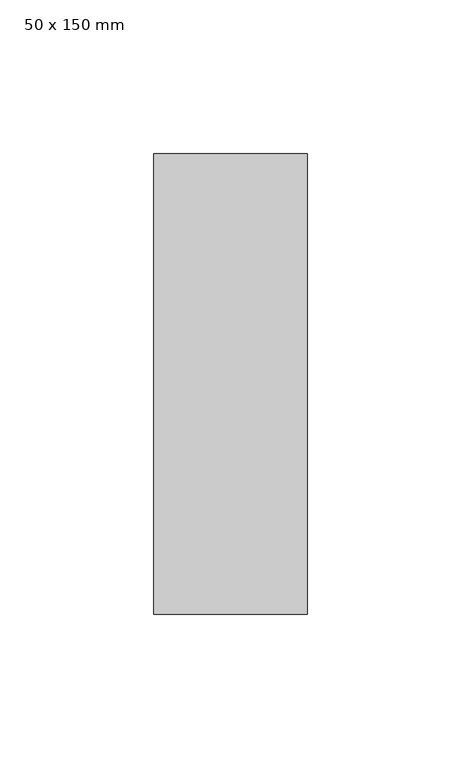
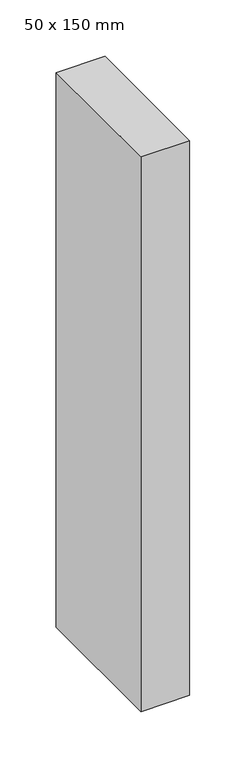
"""IFC4 building model written with IfcOpenShell, lengths in millimetres: member geometry, 50 x 150 mm."""

import ifcopenshell
import ifcopenshell.guid

model = None  # the IFC model being written
_history = None  # IfcOwnerHistory: only IFC2X3 demands one
_inside = {}  # id of a spatial element -> (the spatial element, [elements in it])
_under = {}  # id of a project, library or spatial element -> (it, [spatial elements below it])
_declared = {}  # id of a project -> (the project, [libraries it declares])
_typed = {}  # id of a type object -> (the type object, [elements of that type])
_made_of = {}  # id of a material, layer set ... -> (it, [elements and type objects made of it])


def new_model(schema):
    """Start an empty IFC model of exactly this schema.

    Asked for "IFC4X3", IfcOpenShell would pick the latest addendum, in which some entities
    have other attributes; the version numbers below select the first issue.
    IFC2X3 requires an IfcOwnerHistory on every rooted entity: one is made here for all.
    """
    global model, _history
    if schema == "IFC4X3":
        model = ifcopenshell.file(schema_version=(4, 3, 0, 0))
    else:
        model = ifcopenshell.file(schema=schema)
    _inside.clear()
    _under.clear()
    _declared.clear()
    _typed.clear()
    _made_of.clear()
    _history = None
    if model.schema == "IFC2X3":
        org = make("IfcOrganization", Name="unknown")
        user = make(
            "IfcPersonAndOrganization",
            ThePerson=make("IfcPerson", FamilyName="unknown"),
            TheOrganization=org,
        )
        app = make(
            "IfcApplication",
            ApplicationDeveloper=org,
            Version="unknown",
            ApplicationFullName="unknown",
            ApplicationIdentifier="unknown",
        )
        _history = make(
            "IfcOwnerHistory",
            OwningUser=user,
            OwningApplication=app,
            ChangeAction="ADDED",
            CreationDate=0,
        )
    return model


def make(cls, **values):
    """One entity of the class cls with the attributes given. An attribute that is None is left unset."""
    return model.create_entity(
        cls, **{name: value for name, value in values.items() if value is not None}
    )


def rooted(cls, **values):
    """An entity with a GlobalId (a new one), such as an element, a storey or a relation."""
    return make(cls, GlobalId=ifcopenshell.guid.new(), OwnerHistory=_history, **values)


def si_unit(unit_type, name, prefix=None):
    """IfcSIUnit, for example si_unit("LENGTHUNIT", "METRE", prefix="MILLI")."""
    return make("IfcSIUnit", UnitType=unit_type, Prefix=prefix, Name=name)


def assignment(units):
    """IfcUnitAssignment: the units of a project."""
    return None if units is None else make("IfcUnitAssignment", Units=units)


def point(xyz):
    """IfcCartesianPoint."""
    return None if xyz is None else make("IfcCartesianPoint", Coordinates=xyz)


def direction(xyz):
    """IfcDirection."""
    return None if xyz is None else make("IfcDirection", DirectionRatios=xyz)


def frame(location, z_axis=None, x_axis=None):
    """IfcAxis2Placement3D, a coordinate frame: its origin and axes. An axis left out is left unset."""
    return make(
        "IfcAxis2Placement3D",
        Location=point(location),
        Axis=direction(z_axis),
        RefDirection=direction(x_axis),
    )


def origin():
    """The frame at (0, 0, 0) with its axes left unset."""
    return frame((0.0, 0.0, 0.0))


def place(relative_to, where):
    """IfcLocalPlacement: puts the frame where relative to a parent placement (None: the world)."""
    return make(
        "IfcLocalPlacement", PlacementRelTo=relative_to, RelativePlacement=where
    )


def context(
    kind, dimensions, precision=None, world=None, true_north=None, identifier=None
):
    """IfcGeometricRepresentationContext, for example the 3D "Model" context."""
    return make(
        "IfcGeometricRepresentationContext",
        ContextIdentifier=identifier,
        ContextType=kind,
        CoordinateSpaceDimension=dimensions,
        Precision=precision,
        WorldCoordinateSystem=world,
        TrueNorth=true_north,
    )


def project(units=None, contexts=None):
    """IfcProject with its units and contexts."""
    return rooted(
        "IfcProject",
        Name="project",
        RepresentationContexts=contexts,
        UnitsInContext=assignment(units),
    )


def spatial(cls, under=None, at=None, **own):
    """A site, building, storey or space (cls), placed at a placement, below another one or the project."""
    s = rooted(cls, ObjectPlacement=at, **own)
    if under is not None:
        _under.setdefault(under.id(), (under, []))[1].append(s)
    return s


def polyline(points):
    """IfcPolyline through the points."""
    return make("IfcPolyline", Points=[point(p) for p in points])


def outline(outer, holes=None, kind="AREA"):
    """IfcArbitraryClosedProfileDef: a profile drawn as a closed curve; with holes, ...WithVoids."""
    if holes is None:
        return make("IfcArbitraryClosedProfileDef", ProfileType=kind, OuterCurve=outer)
    return make(
        "IfcArbitraryProfileDefWithVoids",
        ProfileType=kind,
        OuterCurve=outer,
        InnerCurves=holes,
    )


def extrude(swept, where, along, depth):
    """IfcExtrudedAreaSolid: the profile swept, set in the frame where, extruded along a direction by depth."""
    return make(
        "IfcExtrudedAreaSolid",
        SweptArea=swept,
        Position=where,
        ExtrudedDirection=direction(along),
        Depth=depth,
    )


def shape(context_of_items, identifier, shape_type, items):
    """IfcShapeRepresentation: the items that make up one representation, for example the "Body"."""
    return make(
        "IfcShapeRepresentation",
        ContextOfItems=context_of_items,
        RepresentationIdentifier=identifier,
        RepresentationType=shape_type,
        Items=items,
    )


def source(mapping_origin, context_of_items, identifier, shape_type, items):
    """IfcRepresentationMap: a shape defined once, which mapped items show again and again."""
    return make(
        "IfcRepresentationMap",
        MappingOrigin=mapping_origin,
        MappedRepresentation=shape(context_of_items, identifier, shape_type, items),
    )


def transform(
    local_origin,
    x_axis=None,
    y_axis=None,
    z_axis=None,
    scale=None,
    scale2=None,
    scale3=None,
    uniform=True,
):
    """IfcCartesianTransformationOperator3D, or its non-uniform kind. x_axis, y_axis, z_axis: its Axis1, 2, 3."""
    if uniform:
        return make(
            "IfcCartesianTransformationOperator3D",
            Axis1=direction(x_axis),
            Axis2=direction(y_axis),
            LocalOrigin=point(local_origin),
            Scale=scale,
            Axis3=direction(z_axis),
        )
    return make(
        "IfcCartesianTransformationOperator3DnonUniform",
        Axis1=direction(x_axis),
        Axis2=direction(y_axis),
        LocalOrigin=point(local_origin),
        Scale=scale,
        Axis3=direction(z_axis),
        Scale2=scale2,
        Scale3=scale3,
    )


def mapped(mapping_source, mapping_target):
    """IfcMappedItem: shows the shape of a source again, moved by a transform."""
    return make(
        "IfcMappedItem", MappingSource=mapping_source, MappingTarget=mapping_target
    )


def made_of(thing, what):
    """Note that an element or type object is made of a material, layer set ...; save() writes the relation."""
    if what is not None:
        _made_of.setdefault(what.id(), (what, []))[1].append(thing)
    return thing


def element(
    cls,
    number,
    at=None,
    inside=None,
    cuts=None,
    type_object=None,
    material=None,
    context=None,
    identifier="Body",
    shape_type=None,
    held_by="IfcProductDefinitionShape",
    body=None,
    shapes=None,
    **own,
):
    """One element of the class cls, such as IfcWall. Its Tag is "e" and its number.

    at: its placement. inside: the storey or other place that contains it. cuts: it is an
    opening in that element (IfcRelVoidsElement). A single representation is given by context,
    identifier, shape_type and body (its items); several are given by shapes. held_by: the class
    of the entity that holds the representations. save() writes the other relations.
    """
    e = rooted(cls, Tag="e%d" % number, ObjectPlacement=at, **own)
    if body is not None:
        shapes = [shape(context, identifier, shape_type, body)]
    if shapes is not None:
        e.Representation = make(held_by, Representations=shapes)
    if inside is not None:
        _inside.setdefault(inside.id(), (inside, []))[1].append(e)
    if cuts is not None:
        rooted(
            "IfcRelVoidsElement", RelatingBuildingElement=cuts, RelatedOpeningElement=e
        )
    if type_object is not None:
        _typed.setdefault(type_object.id(), (type_object, []))[1].append(e)
    return made_of(e, material)


def aggregate(whole, parts):
    """IfcRelAggregates: a whole, such as a stair, and the parts it consists of."""
    return rooted("IfcRelAggregates", RelatingObject=whole, RelatedObjects=parts)


def save(model, path):
    """Write the relations noted so far, then the file.

    IfcRelAggregates (storeys below a building ...), IfcRelContainedInSpatialStructure (elements
    in a storey), IfcRelDefinesByType, IfcRelAssociatesMaterial and IfcRelDeclares: one each for
    every whole, place, type object, material and project.
    """
    for whole, parts in _under.values():
        aggregate(whole, parts)
    for where, things in _inside.values():
        rooted(
            "IfcRelContainedInSpatialStructure",
            RelatedElements=things,
            RelatingStructure=where,
        )
    for kind, things in _typed.values():
        rooted("IfcRelDefinesByType", RelatedObjects=things, RelatingType=kind)
    for what, things in _made_of.values():
        rooted("IfcRelAssociatesMaterial", RelatedObjects=things, RelatingMaterial=what)
    for by, libraries in _declared.values():
        rooted("IfcRelDeclares", RelatingContext=by, RelatedDefinitions=libraries)
    model.write(path)


def member_50_x_150_mm_68b3818a(model_context):
    return source(origin(), model_context, "Body", "SweptSolid", [
        extrude(outline(polyline([(25.0, 75.0), (25.0, -75.0), (-25.0, -75.0), (-25.0, 75.0), (25.0, 75.0)])), frame((0.0, 0.0, -600.0), z_axis=(0.0, 0.0, 1.0), x_axis=(1.0, 0.0, 0.0)), (0.0, 0.0, 1.0), 600.0),
    ])


if __name__ == "__main__":
    model = new_model("IFC4")
    model_context = context("Model", 3, world=origin())
    ifc_project = project(units=[si_unit("LENGTHUNIT", "METRE", prefix="MILLI")], contexts=[model_context])
    site = spatial("IfcSite", under=ifc_project)
    building = spatial("IfcBuilding", under=site)
    placement = place(None, origin())
    member_50_x_150_mm_shape = member_50_x_150_mm_68b3818a(model_context)
    element("IfcMember", 1, ObjectType="50 x 150 mm", at=placement, inside=building, context=model_context, shape_type="MappedRepresentation", body=[
        mapped(member_50_x_150_mm_shape, transform((0.0, 0.0, 0.0), x_axis=(1.0, 0.0, 0.0), y_axis=(0.0, 1.0, 0.0), z_axis=(0.0, 0.0, 1.0))),
    ])
    save(model, "model.ifc")
